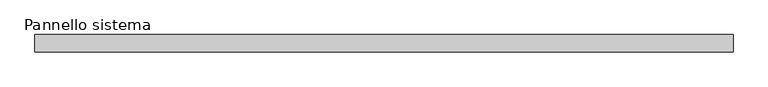
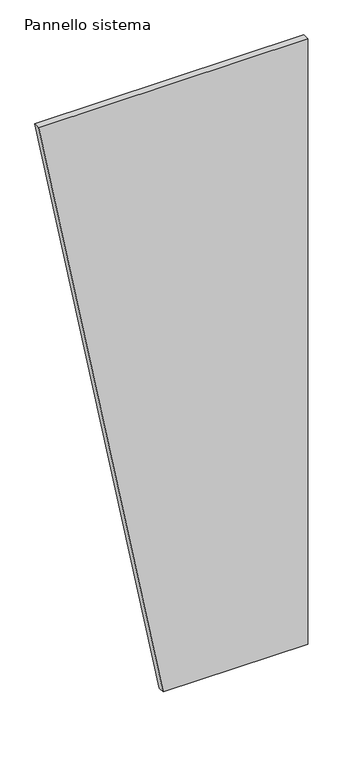
"""IFC4 building model written with IfcOpenShell, lengths in millimetres: plate geometry, Pannello sistema."""

from ifc_helpers import new_model, si_unit, frame, origin, place, context, project, spatial, polyline, outline, extrude, source, transform, mapped, element, save


def pannello_sistema_99ef14eb(model_context):
    return source(origin(), model_context, "Body", "SweptSolid", [
        extrude(outline(polyline([(0.0, -38.1353524), (0.0, 508.5357005), (2420.0, 508.5357005), (2420.0, -508.5357005), (0.0, -38.1353524)])), frame((0.0, -12.5, 0.0), z_axis=(0.0, 1.0, 0.0), x_axis=(0.0, 0.0, 1.0)), (0.0, 0.0, 1.0), 25.0),
    ])


if __name__ == "__main__":
    model = new_model("IFC4")
    model_context = context("Model", 3, world=origin())
    ifc_project = project(units=[si_unit("LENGTHUNIT", "METRE", prefix="MILLI")], contexts=[model_context])
    site = spatial("IfcSite", under=ifc_project)
    building = spatial("IfcBuilding", under=site)
    placement = place(None, origin())
    pannello_sistema_shape = pannello_sistema_99ef14eb(model_context)
    element("IfcPlate", 1, ObjectType="Pannello sistema", at=placement, inside=building, context=model_context, shape_type="MappedRepresentation", body=[
        mapped(pannello_sistema_shape, transform((0.0, 0.0, 0.0), x_axis=(1.0, 0.0, 0.0), y_axis=(0.0, 1.0, 0.0), z_axis=(0.0, 0.0, 1.0))),
    ])
    save(model, "model.ifc")
